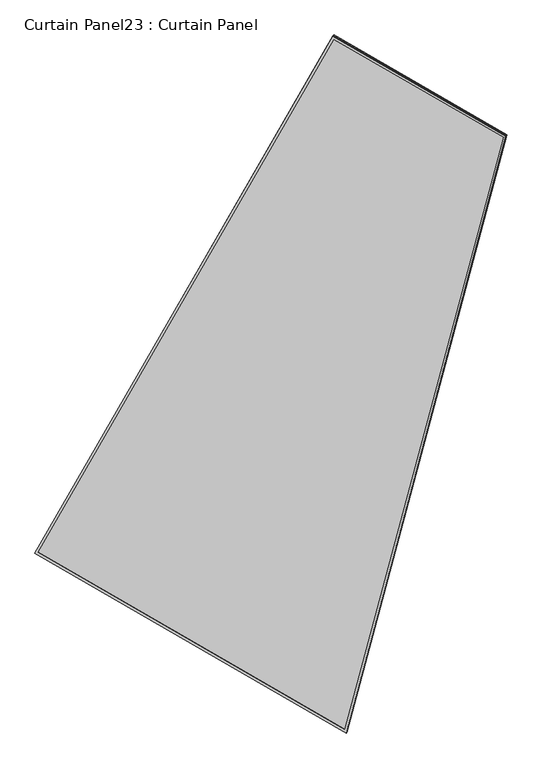
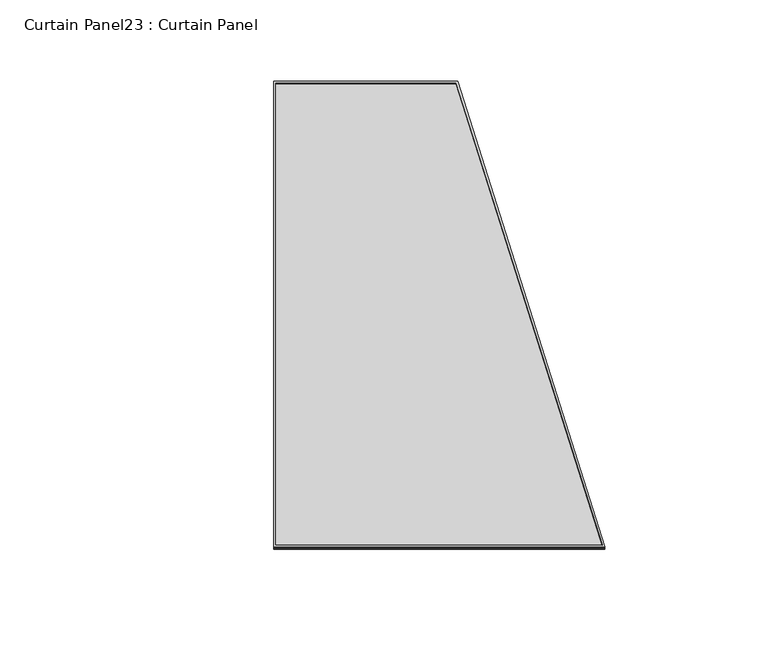
"""IFC4 building model written with IfcOpenShell, lengths in millimetres: plate geometry, Curtain Panel23 : Curtain Panel."""

import ifcopenshell
import ifcopenshell.guid

model = None  # the IFC model being written
_history = None  # IfcOwnerHistory: only IFC2X3 demands one
_inside = {}  # id of a spatial element -> (the spatial element, [elements in it])
_under = {}  # id of a project, library or spatial element -> (it, [spatial elements below it])
_declared = {}  # id of a project -> (the project, [libraries it declares])
_typed = {}  # id of a type object -> (the type object, [elements of that type])
_made_of = {}  # id of a material, layer set ... -> (it, [elements and type objects made of it])


def new_model(schema):
    """Start an empty IFC model of exactly this schema.

    Asked for "IFC4X3", IfcOpenShell would pick the latest addendum, in which some entities
    have other attributes; the version numbers below select the first issue.
    IFC2X3 requires an IfcOwnerHistory on every rooted entity: one is made here for all.
    """
    global model, _history
    if schema == "IFC4X3":
        model = ifcopenshell.file(schema_version=(4, 3, 0, 0))
    else:
        model = ifcopenshell.file(schema=schema)
    _inside.clear()
    _under.clear()
    _declared.clear()
    _typed.clear()
    _made_of.clear()
    _history = None
    if model.schema == "IFC2X3":
        org = make("IfcOrganization", Name="unknown")
        user = make(
            "IfcPersonAndOrganization",
            ThePerson=make("IfcPerson", FamilyName="unknown"),
            TheOrganization=org,
        )
        app = make(
            "IfcApplication",
            ApplicationDeveloper=org,
            Version="unknown",
            ApplicationFullName="unknown",
            ApplicationIdentifier="unknown",
        )
        _history = make(
            "IfcOwnerHistory",
            OwningUser=user,
            OwningApplication=app,
            ChangeAction="ADDED",
            CreationDate=0,
        )
    return model


def make(cls, **values):
    """One entity of the class cls with the attributes given. An attribute that is None is left unset."""
    return model.create_entity(
        cls, **{name: value for name, value in values.items() if value is not None}
    )


def rooted(cls, **values):
    """An entity with a GlobalId (a new one), such as an element, a storey or a relation."""
    return make(cls, GlobalId=ifcopenshell.guid.new(), OwnerHistory=_history, **values)


def si_unit(unit_type, name, prefix=None):
    """IfcSIUnit, for example si_unit("LENGTHUNIT", "METRE", prefix="MILLI")."""
    return make("IfcSIUnit", UnitType=unit_type, Prefix=prefix, Name=name)


def assignment(units):
    """IfcUnitAssignment: the units of a project."""
    return None if units is None else make("IfcUnitAssignment", Units=units)


def point(xyz):
    """IfcCartesianPoint."""
    return None if xyz is None else make("IfcCartesianPoint", Coordinates=xyz)


def direction(xyz):
    """IfcDirection."""
    return None if xyz is None else make("IfcDirection", DirectionRatios=xyz)


def frame(location, z_axis=None, x_axis=None):
    """IfcAxis2Placement3D, a coordinate frame: its origin and axes. An axis left out is left unset."""
    return make(
        "IfcAxis2Placement3D",
        Location=point(location),
        Axis=direction(z_axis),
        RefDirection=direction(x_axis),
    )


def origin():
    """The frame at (0, 0, 0) with its axes left unset."""
    return frame((0.0, 0.0, 0.0))


def place(relative_to, where):
    """IfcLocalPlacement: puts the frame where relative to a parent placement (None: the world)."""
    return make(
        "IfcLocalPlacement", PlacementRelTo=relative_to, RelativePlacement=where
    )


def context(
    kind, dimensions, precision=None, world=None, true_north=None, identifier=None
):
    """IfcGeometricRepresentationContext, for example the 3D "Model" context."""
    return make(
        "IfcGeometricRepresentationContext",
        ContextIdentifier=identifier,
        ContextType=kind,
        CoordinateSpaceDimension=dimensions,
        Precision=precision,
        WorldCoordinateSystem=world,
        TrueNorth=true_north,
    )


def project(units=None, contexts=None):
    """IfcProject with its units and contexts."""
    return rooted(
        "IfcProject",
        Name="project",
        RepresentationContexts=contexts,
        UnitsInContext=assignment(units),
    )


def spatial(cls, under=None, at=None, **own):
    """A site, building, storey or space (cls), placed at a placement, below another one or the project."""
    s = rooted(cls, ObjectPlacement=at, **own)
    if under is not None:
        _under.setdefault(under.id(), (under, []))[1].append(s)
    return s


def polyline(points):
    """IfcPolyline through the points."""
    return make("IfcPolyline", Points=[point(p) for p in points])


def outline(outer, holes=None, kind="AREA"):
    """IfcArbitraryClosedProfileDef: a profile drawn as a closed curve; with holes, ...WithVoids."""
    if holes is None:
        return make("IfcArbitraryClosedProfileDef", ProfileType=kind, OuterCurve=outer)
    return make(
        "IfcArbitraryProfileDefWithVoids",
        ProfileType=kind,
        OuterCurve=outer,
        InnerCurves=holes,
    )


def extrude(swept, where, along, depth):
    """IfcExtrudedAreaSolid: the profile swept, set in the frame where, extruded along a direction by depth."""
    return make(
        "IfcExtrudedAreaSolid",
        SweptArea=swept,
        Position=where,
        ExtrudedDirection=direction(along),
        Depth=depth,
    )


def shape(context_of_items, identifier, shape_type, items):
    """IfcShapeRepresentation: the items that make up one representation, for example the "Body"."""
    return make(
        "IfcShapeRepresentation",
        ContextOfItems=context_of_items,
        RepresentationIdentifier=identifier,
        RepresentationType=shape_type,
        Items=items,
    )


def source(mapping_origin, context_of_items, identifier, shape_type, items):
    """IfcRepresentationMap: a shape defined once, which mapped items show again and again."""
    return make(
        "IfcRepresentationMap",
        MappingOrigin=mapping_origin,
        MappedRepresentation=shape(context_of_items, identifier, shape_type, items),
    )


def transform(
    local_origin,
    x_axis=None,
    y_axis=None,
    z_axis=None,
    scale=None,
    scale2=None,
    scale3=None,
    uniform=True,
):
    """IfcCartesianTransformationOperator3D, or its non-uniform kind. x_axis, y_axis, z_axis: its Axis1, 2, 3."""
    if uniform:
        return make(
            "IfcCartesianTransformationOperator3D",
            Axis1=direction(x_axis),
            Axis2=direction(y_axis),
            LocalOrigin=point(local_origin),
            Scale=scale,
            Axis3=direction(z_axis),
        )
    return make(
        "IfcCartesianTransformationOperator3DnonUniform",
        Axis1=direction(x_axis),
        Axis2=direction(y_axis),
        LocalOrigin=point(local_origin),
        Scale=scale,
        Axis3=direction(z_axis),
        Scale2=scale2,
        Scale3=scale3,
    )


def mapped(mapping_source, mapping_target):
    """IfcMappedItem: shows the shape of a source again, moved by a transform."""
    return make(
        "IfcMappedItem", MappingSource=mapping_source, MappingTarget=mapping_target
    )


def made_of(thing, what):
    """Note that an element or type object is made of a material, layer set ...; save() writes the relation."""
    if what is not None:
        _made_of.setdefault(what.id(), (what, []))[1].append(thing)
    return thing


def element(
    cls,
    number,
    at=None,
    inside=None,
    cuts=None,
    type_object=None,
    material=None,
    context=None,
    identifier="Body",
    shape_type=None,
    held_by="IfcProductDefinitionShape",
    body=None,
    shapes=None,
    **own,
):
    """One element of the class cls, such as IfcWall. Its Tag is "e" and its number.

    at: its placement. inside: the storey or other place that contains it. cuts: it is an
    opening in that element (IfcRelVoidsElement). A single representation is given by context,
    identifier, shape_type and body (its items); several are given by shapes. held_by: the class
    of the entity that holds the representations. save() writes the other relations.
    """
    e = rooted(cls, Tag="e%d" % number, ObjectPlacement=at, **own)
    if body is not None:
        shapes = [shape(context, identifier, shape_type, body)]
    if shapes is not None:
        e.Representation = make(held_by, Representations=shapes)
    if inside is not None:
        _inside.setdefault(inside.id(), (inside, []))[1].append(e)
    if cuts is not None:
        rooted(
            "IfcRelVoidsElement", RelatingBuildingElement=cuts, RelatedOpeningElement=e
        )
    if type_object is not None:
        _typed.setdefault(type_object.id(), (type_object, []))[1].append(e)
    return made_of(e, material)


def aggregate(whole, parts):
    """IfcRelAggregates: a whole, such as a stair, and the parts it consists of."""
    return rooted("IfcRelAggregates", RelatingObject=whole, RelatedObjects=parts)


def save(model, path):
    """Write the relations noted so far, then the file.

    IfcRelAggregates (storeys below a building ...), IfcRelContainedInSpatialStructure (elements
    in a storey), IfcRelDefinesByType, IfcRelAssociatesMaterial and IfcRelDeclares: one each for
    every whole, place, type object, material and project.
    """
    for whole, parts in _under.values():
        aggregate(whole, parts)
    for where, things in _inside.values():
        rooted(
            "IfcRelContainedInSpatialStructure",
            RelatedElements=things,
            RelatingStructure=where,
        )
    for kind, things in _typed.values():
        rooted("IfcRelDefinesByType", RelatedObjects=things, RelatingType=kind)
    for what, things in _made_of.values():
        rooted("IfcRelAssociatesMaterial", RelatedObjects=things, RelatingMaterial=what)
    for by, libraries in _declared.values():
        rooted("IfcRelDeclares", RelatingContext=by, RelatedDefinitions=libraries)
    model.write(path)


def curtain_panel23_curtain_panel_e307ee81(model_context):
    return source(origin(), model_context, "Body", "SweptSolid", [
        extrude(outline(polyline([(1625.9060241, -2842.288964), (722.5275942, -2842.288964), (0.0, 0.0), (1625.9060242, 0.0), (1625.9060241, -2842.288964)]), holes=[polyline([(1614.7935242, -11.1125), (14.2907959, -11.1125), (731.1686564, -2831.176464), (1614.7935242, -2831.176464), (1614.7935242, -11.1125)])]), frame((9763.6376762, -8031.078472, -25.8793379), z_axis=(-0.15807291198690449, -0.27379031486167843, 0.948710608132914), x_axis=(-0.8660254037844327, 0.5000000000000103, 0.0)), (0.0, 0.0, 1.0), 4.8324589),
        extrude(outline(polyline([(1625.9060241, -2842.2889639), (722.5275942, -2842.288964), (0.0, 0.0), (1625.9060241, 1e-07), (1625.9060241, -2842.2889639)]), holes=[polyline([(1614.7935241, -11.1124999), (14.2907959, -11.1125), (731.1686564, -2831.176464), (1614.7935241, -2831.1764639), (1614.7935241, -11.1124999)])]), frame((9760.8465053, -8035.9129217, -9.1274898), z_axis=(-0.1580729119869046, -0.27379031486167843, 0.948710608132914), x_axis=(-0.8660254037844326, 0.5000000000000107, 0.0)), (0.0, 0.0, 1.0), 4.8113235),
        extrude(outline(polyline([(25.6892883, 0.0), (1651.5953124, 0.0), (1651.5953124, -2842.288964), (748.2168826, -2842.288964), (25.6892883, 0.0)])), frame((9785.1213716, -8045.2461966, -21.2947329), z_axis=(-0.1580729119869049, -0.27379031486167804, 0.9487106081329141), x_axis=(-0.866025403784435, 0.5000000000000064, 0.0)), (0.0, 0.0, 1.0), 12.8250312),
    ])


if __name__ == "__main__":
    model = new_model("IFC4")
    model_context = context("Model", 3, world=origin())
    ifc_project = project(units=[si_unit("LENGTHUNIT", "METRE", prefix="MILLI")], contexts=[model_context])
    site = spatial("IfcSite", under=ifc_project)
    building = spatial("IfcBuilding", under=site)
    placement = place(None, origin())
    curtain_panel23_curtain_panel_shape = curtain_panel23_curtain_panel_e307ee81(model_context)
    element("IfcPlate", 1, ObjectType="Curtain Panel23 : Curtain Panel", at=placement, inside=building, context=model_context, shape_type="MappedRepresentation", body=[
        mapped(curtain_panel23_curtain_panel_shape, transform((0.0, 0.0, 0.0), x_axis=(1.0, 0.0, 0.0), y_axis=(0.0, 1.0, 0.0), z_axis=(0.0, 0.0, 1.0))),
    ])
    save(model, "model.ifc")
